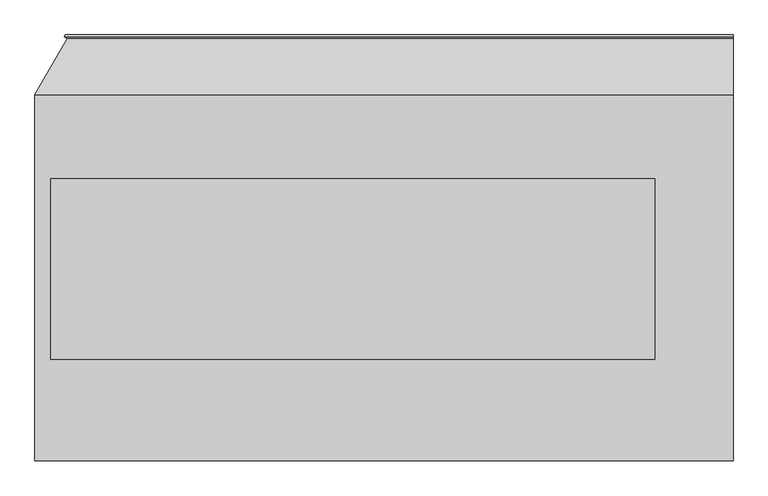
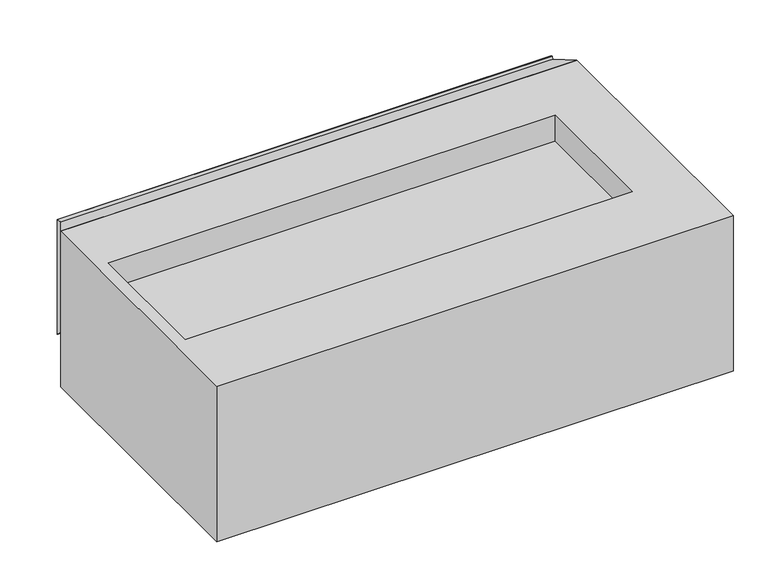
"""IFC4 building model written with IfcOpenShell, lengths in millimetres: proxy geometry."""

from ifc_helpers import new_model, si_unit, point, frame, frame_2d, origin, place, context, project, spatial, polyline, circle_curve, trimmed, segment, composite_curve, outline, extrude, faceted_brep, source, transform, mapped, element, save


def specialty_equipment_fb18b10b(model_context):
    return source(origin(), model_context, "Body", "SolidModel", [
        extrude(outline(composite_curve([segment(trimmed(circle_curve(frame_2d((62.6798949, -76.4898909)), 6.4), [point((56.2798949, -76.4898909))], [point((69.0798949, -76.4898909))], False, "CARTESIAN"), True, "CONTINUOUS"), segment(trimmed(circle_curve(frame_2d((62.6798949, -76.4898909)), 6.4), [point((69.0798949, -76.4898909))], [point((56.2798949, -76.4898909))], False, "CARTESIAN"), True, "CONTINUOUS")], self_intersect=False)), frame((833.4195748, 0.0, 0.0), z_axis=(1.0, 0.0, 0.0), x_axis=(0.0, 1.0, 0.0)), (0.0, 0.0, 1.0), 27.5543529),
        extrude(outline(composite_curve([segment(trimmed(circle_curve(frame_2d((-287.0, 562.0)), 101.6), [point((-287.0, 663.6))], [point((-287.0, 460.4))], False, "CARTESIAN"), True, "CONTINUOUS"), segment(trimmed(circle_curve(frame_2d((-287.0, 562.0)), 101.6), [point((-287.0, 460.4))], [point((-287.0, 663.6))], False, "CARTESIAN"), True, "CONTINUOUS")], self_intersect=False)), frame((0.0, 922.0, 0.0), z_axis=(0.0, 1.0, 0.0), x_axis=(0.0, 0.0, 1.0)), (0.0, 0.0, 1.0), 5.0),
        faceted_brep([(885.0, 1069.8941916, -87.5), (885.0, 927.0, -5.0), (885.0, 927.0, -10.7735027), (885.0, 1071.7243186, -94.330127), (885.0, 1079.2243186, -81.339746), (885.0, 1074.8941916, -78.839746), (-802.5, 1069.8941916, -87.5), (-885.0, 927.0, -5.0), (-885.0, 927.0, -569.0), (885.0, 927.0, -569.0), (885.0, 927.0, -563.2264973), (-879.2264973, 927.0, -563.2264973), (-879.2264973, 927.0, -10.7735027), (-795.669873, 1071.7243186, -94.330127), (-808.660254, 1079.2243186, -81.339746), (-811.160254, 1074.8941916, -78.839746), (-802.5, 1069.8941916, -486.5), (-795.669873, 1071.7243186, -479.669873), (-808.660254, 1079.2243186, -492.660254), (-811.160254, 1074.8941916, -495.160254), (885.0, 1069.8941916, -486.5), (885.0, 1074.8941916, -495.160254), (885.0, 1079.2243186, -492.660254), (885.0, 1071.7243186, -479.669873)], [[[0, 1, 2, 3, 4, 5]], [[1, 0, 6, 7]], [[2, 1, 7, 8, 9, 10, 11, 12]], [[3, 2, 12, 13]], [[4, 3, 13, 14]], [[5, 4, 14, 15]], [[0, 5, 15, 6]], [[7, 6, 16, 8]], [[13, 12, 11, 17]], [[14, 13, 17, 18]], [[15, 14, 18, 19]], [[6, 15, 19, 16]], [[20, 21, 22, 23, 10, 9]], [[8, 16, 20, 9]], [[17, 11, 10, 23]], [[18, 17, 23, 22]], [[19, 18, 22, 21]], [[16, 19, 21, 20]]]),
        extrude(outline(polyline([(687.0, 257.0), (-845.0, 257.0), (-845.0, 714.0), (687.0, 714.0), (687.0, 257.0)])), frame((0.0, 0.0, -105.0), z_axis=(0.0, 0.0, 1.0), x_axis=(1.0, 0.0, 0.0)), (0.0, 0.0, 1.0), 5.0),
        extrude(outline(polyline([(687.0, 257.0), (-845.0, 257.0), (-845.0, 714.0), (687.0, 714.0), (687.0, 257.0)])), frame((0.0, 0.0, -474.0), z_axis=(0.0, 0.0, 1.0), x_axis=(1.0, 0.0, 0.0)), (0.0, 0.0, 1.0), 5.0),
        faceted_brep([(885.0, 0.0, -5.0), (885.0, 927.0, -5.0), (-885.0, 927.0, -5.0), (-885.0, 0.0, -5.0), (687.0, 714.0, -5.0), (687.0, 257.0, -5.0), (-845.0, 257.0, -5.0), (-845.0, 714.0, -5.0), (885.0, 0.0, -569.0), (-885.0, 0.0, -569.0), (-885.0, 927.0, -569.0), (885.0, 927.0, -569.0), (687.0, 257.0, -569.0), (687.0, 714.0, -569.0), (-845.0, 714.0, -569.0), (-845.0, 257.0, -569.0), (885.0, 32.6798949, -51.4898909), (885.0, 92.6798949, -51.4898909), (885.0, 92.6798949, -101.4898909), (885.0, 32.6798949, -101.4898909), (885.0, 22.6798949, -186.3984548), (885.0, 102.6798949, -186.3984548), (885.0, 102.6798949, -271.5206219), (885.0, 22.6798949, -271.5206219), (833.4195748, 92.6798949, -51.4898909), (833.4195748, 32.6798949, -51.4898909), (833.4195748, 32.6798949, -101.4898909), (833.4195748, 92.6798949, -101.4898909), (833.4195748, 102.6798949, -186.3984548), (833.4195748, 22.6798949, -186.3984548), (833.4195748, 22.6798949, -271.5206219), (833.4195748, 102.6798949, -271.5206219)], [[[0, 1, 2, 3], [4, 5, 6, 7]], [[8, 9, 10, 11], [12, 13, 14, 15]], [[1, 0, 8, 11], [16, 17, 18, 19], [20, 21, 22, 23]], [[2, 1, 11, 10]], [[3, 2, 10, 9]], [[0, 3, 9, 8]], [[4, 13, 12, 5]], [[13, 4, 7, 14]], [[14, 7, 6, 15]], [[15, 6, 5, 12]], [[24, 25, 26, 27]], [[28, 29, 30, 31]], [[25, 24, 17, 16]], [[26, 25, 16, 19]], [[27, 26, 19, 18]], [[24, 27, 18, 17]], [[29, 28, 21, 20]], [[30, 29, 20, 23]], [[31, 30, 23, 22]], [[28, 31, 22, 21]]]),
        extrude(outline(polyline([(687.0, 262.0), (682.0, 262.0), (682.0, 714.0), (687.0, 714.0), (687.0, 262.0)])), frame((0.0, 0.0, -469.0), z_axis=(0.0, 0.0, 1.0), x_axis=(1.0, 0.0, 0.0)), (0.0, 0.0, 1.0), 364.0),
        extrude(outline(polyline([(687.0, 257.0), (-845.0, 257.0), (-845.0, 262.0), (687.0, 262.0), (687.0, 257.0)])), frame((0.0, 0.0, -469.0), z_axis=(0.0, 0.0, 1.0), x_axis=(1.0, 0.0, 0.0)), (0.0, 0.0, 1.0), 364.0),
    ])


if __name__ == "__main__":
    model = new_model("IFC4")
    model_context = context("Model", 3, world=origin())
    ifc_project = project(units=[si_unit("LENGTHUNIT", "METRE", prefix="MILLI")], contexts=[model_context])
    site = spatial("IfcSite", under=ifc_project)
    building = spatial("IfcBuilding", under=site)
    placement = place(None, origin())
    specialty_equipment_shape = specialty_equipment_fb18b10b(model_context)
    element("IfcBuildingElementProxy", 1, Name="Specialty Equipment", at=placement, inside=building, context=model_context, shape_type="MappedRepresentation", body=[
        mapped(specialty_equipment_shape, transform((0.0, 0.0, 0.0), x_axis=(1.0, 0.0, 0.0), y_axis=(0.0, 1.0, 0.0), z_axis=(0.0, 0.0, 1.0))),
    ])
    save(model, "model.ifc")
